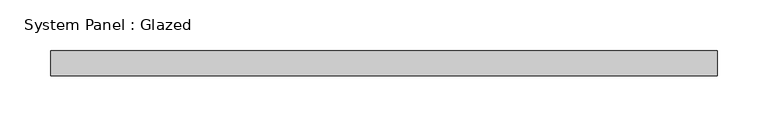
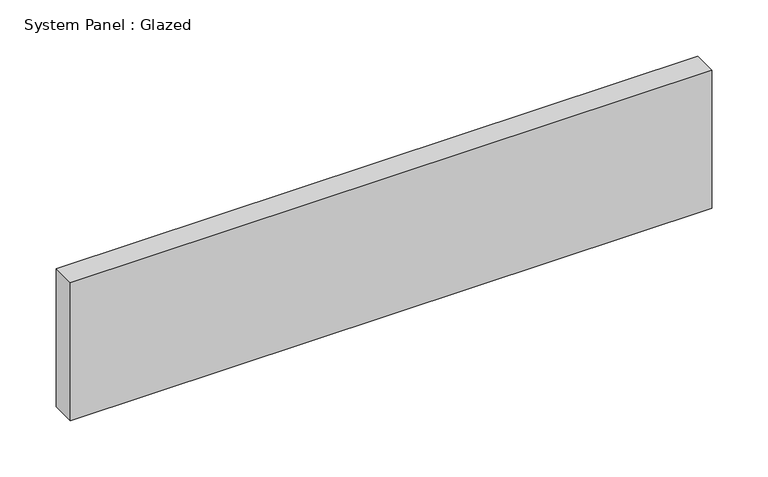
"""IFC4 building model written with IfcOpenShell, lengths in millimetres: plate geometry, System Panel : Glazed."""

from ifc_helpers import new_model, si_unit, origin, origin_with_axes, place, context, project, spatial, polyline, outline, extrude, source, transform, mapped, element, save


def system_panel_glazed_89caaaec(model_context):
    return source(origin(), model_context, "Body", "SweptSolid", [
        extrude(outline(polyline([(329.5, -49.5), (-329.5, -49.5), (-329.5, -24.5), (329.5, -24.5), (329.5, -49.5)])), origin_with_axes(), (0.0, 0.0, 1.0), 150.0),
    ])


if __name__ == "__main__":
    model = new_model("IFC4")
    model_context = context("Model", 3, world=origin())
    ifc_project = project(units=[si_unit("LENGTHUNIT", "METRE", prefix="MILLI")], contexts=[model_context])
    site = spatial("IfcSite", under=ifc_project)
    building = spatial("IfcBuilding", under=site)
    placement = place(None, origin())
    system_panel_glazed_shape = system_panel_glazed_89caaaec(model_context)
    element("IfcPlate", 1, ObjectType="System Panel : Glazed", at=placement, inside=building, context=model_context, shape_type="MappedRepresentation", body=[
        mapped(system_panel_glazed_shape, transform((0.0, 0.0, 0.0), x_axis=(1.0, 0.0, 0.0), y_axis=(0.0, 1.0, 0.0), z_axis=(0.0, 0.0, 1.0))),
    ])
    save(model, "model.ifc")
